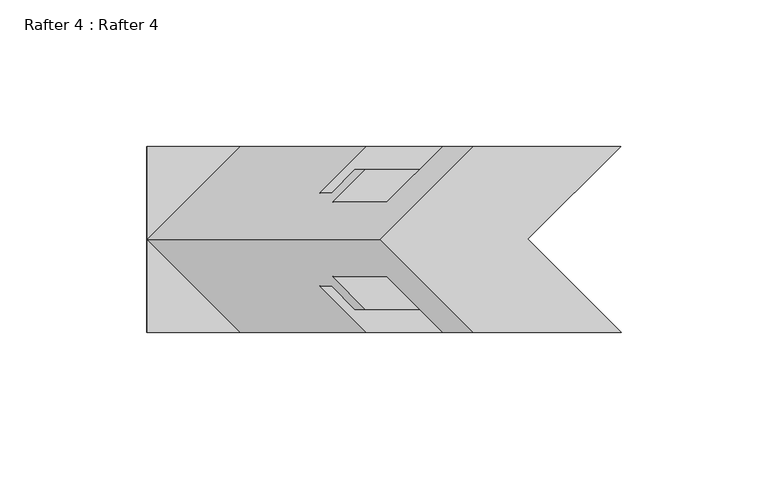
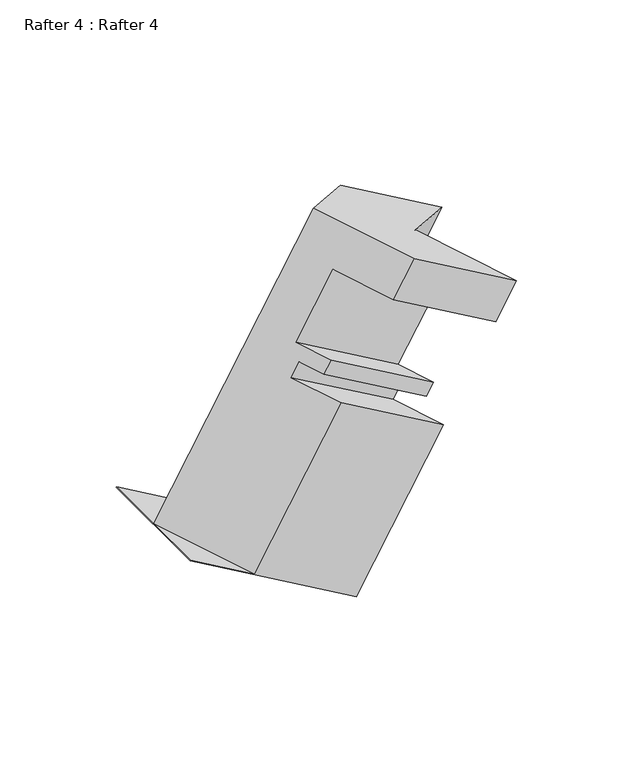
"""IFC4 building model written with IfcOpenShell, lengths in millimetres: proxy geometry, Rafter 4 : Rafter 4."""

from ifc_helpers import new_model, si_unit, origin, place, context, project, spatial, faceted_brep, source, transform, mapped, element, save


def rafter_4_rafter_4_52400013(model_context):
    return source(origin(), model_context, "Body", "Brep", [
        faceted_brep([(-8257.8386591, 8481.9037369, 1887.6597378), (-8257.8386591, 8545.4037369, 1887.6597378), (-8257.7340254, 8545.4037369, 1887.8409687), (-8257.7340254, 8481.9037369, 1887.8409687), (-8340.2561395, 8545.4037369, 1935.2434924), (-8340.2561395, 8481.9037369, 1935.2434924), (-8340.1515058, 8481.9037369, 1935.4247233), (-8340.1515058, 8513.6537369, 1935.4247233), (-8340.1515058, 8545.4037369, 1935.4247233), (-8188.8768771, 8545.4037369, 2007.7191593), (-8239.2784395, 8545.4037369, 2036.818515), (-8228.9406395, 8545.4037369, 2054.7241098), (-8178.5390771, 8545.4037369, 2025.6247542), (-8207.9268771, 8526.3537369, 2018.717682), (-8258.3284395, 8526.3537369, 2047.8170376), (-8226.3545771, 8526.3537369, 1986.7999693), (-8276.7561395, 8526.3537369, 2015.899325), (-8215.2293771, 8537.4789369, 1980.3768321), (-8265.6309395, 8537.4789369, 2009.4761878), (-8218.8107771, 8537.4789369, 1974.1736653), (-8269.2123395, 8537.4789369, 2003.273021), (-8226.7609771, 8529.5287369, 1978.7637154), (-8277.1625395, 8529.5287369, 2007.8630711), (-8230.7106771, 8529.5287369, 1971.9226344), (-8281.1122395, 8529.5287369, 2001.02199), (-8214.8356771, 8545.4037369, 1962.7571988), (-8265.2372395, 8545.4037369, 1991.8565545), (-8308.4015058, 8545.4037369, 1917.0938522), (-8257.9999434, 8545.4037369, 1887.9944965), (-8214.5697591, 8481.9037369, 1962.603671), (-8265.2372395, 8481.9037369, 1991.8565545), (-8308.4015058, 8481.9037369, 1917.0938522), (-8230.4447591, 8497.7787369, 1971.7691066), (-8281.1122395, 8497.7787369, 2001.02199), (-8226.4950591, 8497.7787369, 1978.6101876), (-8277.1625395, 8497.7787369, 2007.8630711), (-8218.5448591, 8489.8285369, 1974.0201375), (-8269.2123395, 8489.8285369, 2003.273021), (-8214.9138497, 8489.8285369, 1980.3092302), (-8265.5813302, 8489.8285369, 2009.5621137), (-8226.0390497, 8500.9537369, 1986.7323675), (-8276.7065302, 8500.9537369, 2015.9852509), (-8207.6609591, 8500.9537369, 2018.5641542), (-8258.3284395, 8500.9537369, 2047.8170376), (-8188.5919091, 8481.9037369, 2007.5986271), (-8239.2593895, 8481.9037369, 2036.8515106), (-8178.2731591, 8481.9037369, 2025.4712264), (-8228.9406395, 8481.9037369, 2054.7241098), (-8289.6169844, 8513.7866959, 1906.2486037), (-8210.1561181, 8513.7866959, 2043.8788613), (-8260.6906395, 8513.6537369, 2073.0549809)], [[[0, 1, 2, 3]], [[4, 5, 6, 7, 8]], [[9, 10, 11, 12]], [[10, 9, 13, 14]], [[14, 13, 15, 16]], [[16, 15, 17, 18]], [[18, 17, 19, 20]], [[20, 19, 21, 22]], [[22, 21, 23, 24]], [[24, 23, 25, 26]], [[1, 4, 8, 27, 26, 25, 28, 2]], [[1, 0, 5, 4]], [[5, 0, 3, 29, 30, 31, 6]], [[30, 29, 32, 33]], [[33, 32, 34, 35]], [[35, 34, 36, 37]], [[37, 36, 38, 39]], [[39, 38, 40, 41]], [[41, 40, 42, 43]], [[43, 42, 44, 45]], [[45, 44, 46, 47]], [[48, 3, 2, 28]], [[7, 27, 8]], [[31, 7, 6]], [[3, 48, 49, 46, 44, 42, 40, 38, 36, 34, 32, 29]], [[49, 48, 28, 25, 23, 21, 19, 17, 15, 13, 9, 12]], [[27, 7, 50, 11, 10, 14, 16, 18, 20, 22, 24, 26]], [[7, 31, 30, 33, 35, 37, 39, 41, 43, 45, 47, 50]], [[47, 46, 49, 12, 11, 50]]]),
    ])


if __name__ == "__main__":
    model = new_model("IFC4")
    model_context = context("Model", 3, world=origin())
    ifc_project = project(units=[si_unit("LENGTHUNIT", "METRE", prefix="MILLI")], contexts=[model_context])
    site = spatial("IfcSite", under=ifc_project)
    building = spatial("IfcBuilding", under=site)
    placement = place(None, origin())
    rafter_4_rafter_4_shape = rafter_4_rafter_4_52400013(model_context)
    element("IfcBuildingElementProxy", 1, Name="Rafter 4 : Rafter 4", ObjectType="Rafter 4 : Rafter 4", at=placement, inside=building, context=model_context, shape_type="MappedRepresentation", body=[
        mapped(rafter_4_rafter_4_shape, transform((0.0, 0.0, 0.0), x_axis=(1.0, 0.0, 0.0), y_axis=(0.0, 1.0, 0.0), z_axis=(0.0, 0.0, 1.0))),
    ])
    save(model, "model.ifc")
